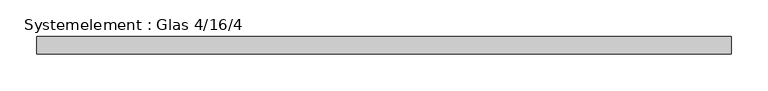
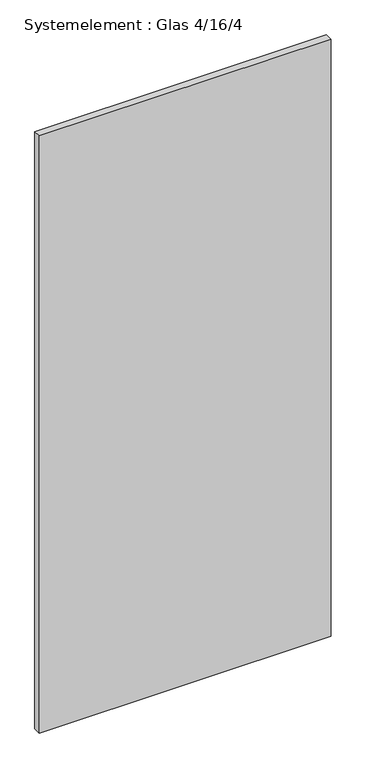
"""IFC4 building model written with IfcOpenShell, lengths in millimetres: plate geometry, Systemelement : Glas 4/16/4."""

from ifc_helpers import new_model, si_unit, origin, origin_with_axes, place, context, project, spatial, polyline, outline, extrude, source, transform, mapped, element, save


def systemelement_glas_4_16_4_eac5c45b(model_context):
    return source(origin(), model_context, "Body", "SweptSolid", [
        extrude(outline(polyline([(472.8571428, -12.0), (-472.8571428, -12.0), (-472.8571428, 12.0), (472.8571428, 12.0), (472.8571428, -12.0)])), origin_with_axes(), (0.0, 0.0, 1.0), 2045.0),
    ])


if __name__ == "__main__":
    model = new_model("IFC4")
    model_context = context("Model", 3, world=origin())
    ifc_project = project(units=[si_unit("LENGTHUNIT", "METRE", prefix="MILLI")], contexts=[model_context])
    site = spatial("IfcSite", under=ifc_project)
    building = spatial("IfcBuilding", under=site)
    placement = place(None, origin())
    systemelement_glas_4_16_4_shape = systemelement_glas_4_16_4_eac5c45b(model_context)
    element("IfcPlate", 1, ObjectType="Systemelement : Glas 4/16/4", at=placement, inside=building, context=model_context, shape_type="MappedRepresentation", body=[
        mapped(systemelement_glas_4_16_4_shape, transform((0.0, 0.0, 0.0), x_axis=(1.0, 0.0, 0.0), y_axis=(0.0, 1.0, 0.0), z_axis=(0.0, 0.0, 1.0))),
    ])
    save(model, "model.ifc")
